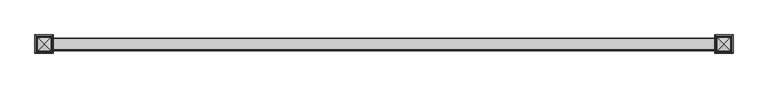
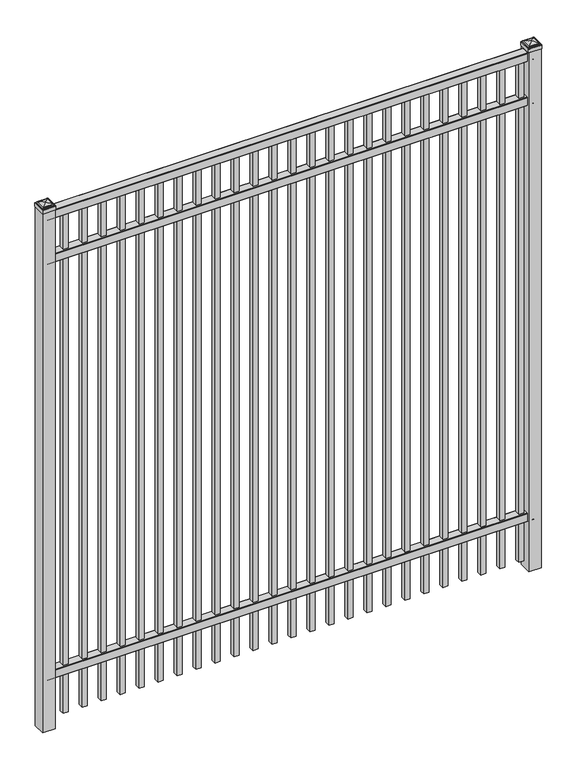
"""IFC4 building model written with IfcOpenShell, lengths in millimetres: railing geometry."""

from ifc_helpers import new_model, si_unit, point, frame, frame_2d, origin, origin_with_axes, place, context, project, spatial, polyline, circle_curve, ellipse_curve, trimmed, segment, composite_curve, outline, extrude, source, transform, mapped, element, save
from ifc_brep_helpers import plane_surface, cylinder_surface, advanced_brep


def railing_54eb18dd(model_context):
    return source(origin(), model_context, "Body", "SolidModel", [
        extrude(outline(composite_curve([segment(polyline([(5777.9139761, 304.8), (5815.969541, 304.8)]), True, "CONTINUOUS"), segment(trimmed(circle_curve(frame_2d((5815.969541, 301.625)), 3.175), [point((5815.969541, 304.8))], [point((5819.144541, 301.625))], False, "CARTESIAN"), True, "CONTINUOUS"), segment(polyline([(5819.144541, 301.625), (5819.144541, 262.1439893)]), True, "CONTINUOUS"), segment(trimmed(circle_curve(frame_2d((5817.3505518, 262.1439893)), 1.7939893), [point((5819.144541, 262.1439893))], [point((5817.3505518, 260.35))], False, "CARTESIAN"), True, "CONTINUOUS"), segment(polyline([(5817.3505518, 260.35), (5814.7590713, 260.35)]), True, "CONTINUOUS"), segment(trimmed(circle_curve(frame_2d((5814.7590713, 262.1359375)), 1.7859375), [point((5814.7590713, 260.35))], [point((5812.9755813, 262.0424688))], False, "CARTESIAN"), True, "CONTINUOUS"), segment(polyline([(5812.9755813, 262.0424688), (5811.4025867, 292.0569942), (5782.4364954, 292.0569942), (5780.8635007, 262.0424688)]), True, "CONTINUOUS"), segment(trimmed(circle_curve(frame_2d((5779.0800108, 262.1359375)), 1.7859375), [point((5780.8635007, 262.0424688))], [point((5779.0800108, 260.35))], False, "CARTESIAN"), True, "CONTINUOUS"), segment(polyline([(5779.0800108, 260.35), (5776.4804785, 260.35)]), True, "CONTINUOUS"), segment(trimmed(circle_curve(frame_2d((5776.4804785, 262.1359375)), 1.7859375), [point((5776.4804785, 260.35))], [point((5774.694541, 262.1359375))], False, "CARTESIAN"), True, "CONTINUOUS"), segment(polyline([(5774.694541, 262.1359375), (5774.694541, 301.5805649)]), True, "CONTINUOUS"), segment(trimmed(circle_curve(frame_2d((5777.9139761, 301.5805649)), 3.2194351), [point((5774.694541, 301.5805649))], [point((5777.9139761, 304.8))], False, "CARTESIAN"), True, "CONTINUOUS")], self_intersect=False)), frame((-10765.0649936, 0.0, 0.0), z_axis=(1.0, 0.0, 0.0), x_axis=(0.0, 1.0, 0.0)), (0.0, 0.0, 1.0), 2438.4),
        extrude(outline(composite_curve([segment(polyline([(5777.9139761, 2509.8375), (5815.969541, 2509.8375)]), True, "CONTINUOUS"), segment(trimmed(circle_curve(frame_2d((5815.969541, 2506.6625)), 3.175), [point((5815.969541, 2509.8375))], [point((5819.144541, 2506.6625))], False, "CARTESIAN"), True, "CONTINUOUS"), segment(polyline([(5819.144541, 2506.6625), (5819.144541, 2467.1814893)]), True, "CONTINUOUS"), segment(trimmed(circle_curve(frame_2d((5817.3505518, 2467.1814893)), 1.7939893), [point((5819.144541, 2467.1814893))], [point((5817.3505518, 2465.3875))], False, "CARTESIAN"), True, "CONTINUOUS"), segment(polyline([(5817.3505518, 2465.3875), (5814.7590713, 2465.3875)]), True, "CONTINUOUS"), segment(trimmed(circle_curve(frame_2d((5814.7590713, 2467.1734375)), 1.7859375), [point((5814.7590713, 2465.3875))], [point((5812.9755813, 2467.0799688))], False, "CARTESIAN"), True, "CONTINUOUS"), segment(polyline([(5812.9755813, 2467.0799688), (5811.4025867, 2497.0944942), (5782.4364954, 2497.0944942), (5780.8635007, 2467.0799688)]), True, "CONTINUOUS"), segment(trimmed(circle_curve(frame_2d((5779.0800108, 2467.1734375)), 1.7859375), [point((5780.8635007, 2467.0799688))], [point((5779.0800108, 2465.3875))], False, "CARTESIAN"), True, "CONTINUOUS"), segment(polyline([(5779.0800108, 2465.3875), (5776.4804785, 2465.3875)]), True, "CONTINUOUS"), segment(trimmed(circle_curve(frame_2d((5776.4804785, 2467.1734375)), 1.7859375), [point((5776.4804785, 2465.3875))], [point((5774.694541, 2467.1734375))], False, "CARTESIAN"), True, "CONTINUOUS"), segment(polyline([(5774.694541, 2467.1734375), (5774.694541, 2506.6180649)]), True, "CONTINUOUS"), segment(trimmed(circle_curve(frame_2d((5777.9139761, 2506.6180649)), 3.2194351), [point((5774.694541, 2506.6180649))], [point((5777.9139761, 2509.8375))], False, "CARTESIAN"), True, "CONTINUOUS")], self_intersect=False)), frame((-10765.0649936, 0.0, 0.0), z_axis=(1.0, 0.0, 0.0), x_axis=(0.0, 1.0, 0.0)), (0.0, 0.0, 1.0), 2438.4),
        extrude(outline(composite_curve([segment(polyline([(5777.9139761, 2743.2), (5815.969541, 2743.2)]), True, "CONTINUOUS"), segment(trimmed(circle_curve(frame_2d((5815.969541, 2740.025)), 3.175), [point((5815.969541, 2743.2))], [point((5819.144541, 2740.025))], False, "CARTESIAN"), True, "CONTINUOUS"), segment(polyline([(5819.144541, 2740.025), (5819.144541, 2700.5439893)]), True, "CONTINUOUS"), segment(trimmed(circle_curve(frame_2d((5817.3505518, 2700.5439893)), 1.7939893), [point((5819.144541, 2700.5439893))], [point((5817.3505518, 2698.75))], False, "CARTESIAN"), True, "CONTINUOUS"), segment(polyline([(5817.3505518, 2698.75), (5814.7590713, 2698.75)]), True, "CONTINUOUS"), segment(trimmed(circle_curve(frame_2d((5814.7590713, 2700.5359375)), 1.7859375), [point((5814.7590713, 2698.75))], [point((5812.9755813, 2700.4424688))], False, "CARTESIAN"), True, "CONTINUOUS"), segment(polyline([(5812.9755813, 2700.4424688), (5811.4025867, 2730.4569942), (5782.4364954, 2730.4569942), (5780.8635007, 2700.4424688)]), True, "CONTINUOUS"), segment(trimmed(circle_curve(frame_2d((5779.0800108, 2700.5359375)), 1.7859375), [point((5780.8635007, 2700.4424688))], [point((5779.0800108, 2698.75))], False, "CARTESIAN"), True, "CONTINUOUS"), segment(polyline([(5779.0800108, 2698.75), (5776.4804785, 2698.75)]), True, "CONTINUOUS"), segment(trimmed(circle_curve(frame_2d((5776.4804785, 2700.5359375)), 1.7859375), [point((5776.4804785, 2698.75))], [point((5774.694541, 2700.5359375))], False, "CARTESIAN"), True, "CONTINUOUS"), segment(polyline([(5774.694541, 2700.5359375), (5774.694541, 2739.9805649)]), True, "CONTINUOUS"), segment(trimmed(circle_curve(frame_2d((5777.9139761, 2739.9805649)), 3.2194351), [point((5774.694541, 2739.9805649))], [point((5777.9139761, 2743.2))], False, "CARTESIAN"), True, "CONTINUOUS")], self_intersect=False)), frame((-10765.0649936, 0.0, 0.0), z_axis=(1.0, 0.0, 0.0), x_axis=(0.0, 1.0, 0.0)), (0.0, 0.0, 1.0), 2438.4),
        extrude(outline(polyline([(0.0, -2647.95), (0.0, 0.0), (25.4, 0.0), (25.4, -2647.95), (0.0, -2647.95)])), frame((-8371.1149864, 5809.619541, 2698.75), z_axis=(-1.0, 0.0, 1.5671138008369403e-09), x_axis=(0.0, -1.0, 0.0)), (0.0, 0.0, 1.0), 25.4),
        extrude(outline(polyline([(0.0, -2647.95), (0.0, 0.0), (25.4, 0.0), (25.4, -2647.95), (0.0, -2647.95)])), frame((-8466.3649864, 5809.619541, 2698.75), z_axis=(-1.0, 0.0, 1.5671138008369403e-09), x_axis=(0.0, -1.0, 0.0)), (0.0, 0.0, 1.0), 25.4),
        extrude(outline(polyline([(0.0, -2647.95), (0.0, 0.0), (25.4, 0.0), (25.4, -2647.95), (0.0, -2647.95)])), frame((-8561.6149864, 5809.619541, 2698.75), z_axis=(-1.0, 0.0, 1.5671138008369403e-09), x_axis=(0.0, -1.0, 0.0)), (0.0, 0.0, 1.0), 25.4),
        extrude(outline(polyline([(0.0, -2647.95), (0.0, 0.0), (25.4, 0.0), (25.4, -2647.95), (0.0, -2647.95)])), frame((-8656.8649864, 5809.619541, 2698.75), z_axis=(-1.0, 0.0, 1.5671138008369403e-09), x_axis=(0.0, -1.0, 0.0)), (0.0, 0.0, 1.0), 25.4),
        extrude(outline(polyline([(0.0, -2647.95), (0.0, 0.0), (25.4, 0.0), (25.4, -2647.95), (0.0, -2647.95)])), frame((-8752.1149864, 5809.619541, 2698.75), z_axis=(-1.0, 0.0, 1.5671138008369403e-09), x_axis=(0.0, -1.0, 0.0)), (0.0, 0.0, 1.0), 25.4),
        extrude(outline(polyline([(0.0, -2647.95), (0.0, 0.0), (25.4, 0.0), (25.4, -2647.95), (0.0, -2647.95)])), frame((-8847.3649864, 5809.619541, 2698.75), z_axis=(-1.0, 0.0, 1.5671138008369403e-09), x_axis=(0.0, -1.0, 0.0)), (0.0, 0.0, 1.0), 25.4),
        extrude(outline(polyline([(0.0, -2647.95), (0.0, 0.0), (25.4, 0.0), (25.4, -2647.95), (0.0, -2647.95)])), frame((-8942.6149864, 5809.619541, 2698.75), z_axis=(-1.0, 0.0, 1.5671138008369403e-09), x_axis=(0.0, -1.0, 0.0)), (0.0, 0.0, 1.0), 25.4),
        extrude(outline(polyline([(0.0, -2647.95), (0.0, 0.0), (25.4, 0.0), (25.4, -2647.95), (0.0, -2647.95)])), frame((-9037.8649864, 5809.619541, 2698.75), z_axis=(-1.0, 0.0, 1.5671138008369403e-09), x_axis=(0.0, -1.0, 0.0)), (0.0, 0.0, 1.0), 25.4),
        extrude(outline(polyline([(0.0, -2647.95), (0.0, 0.0), (25.4, 0.0), (25.4, -2647.95), (0.0, -2647.95)])), frame((-9133.1149864, 5809.619541, 2698.75), z_axis=(-1.0, 0.0, 1.5671138008369403e-09), x_axis=(0.0, -1.0, 0.0)), (0.0, 0.0, 1.0), 25.4),
        extrude(outline(polyline([(0.0, -2647.95), (0.0, 0.0), (25.4, 0.0), (25.4, -2647.95), (0.0, -2647.95)])), frame((-9228.3649864, 5809.619541, 2698.75), z_axis=(-1.0, 0.0, 1.5671138008369403e-09), x_axis=(0.0, -1.0, 0.0)), (0.0, 0.0, 1.0), 25.4),
        extrude(outline(polyline([(0.0, -2647.95), (0.0, 0.0), (25.4, 0.0), (25.4, -2647.95), (0.0, -2647.95)])), frame((-9323.6149864, 5809.619541, 2698.75), z_axis=(-1.0, 0.0, 1.5671138008369403e-09), x_axis=(0.0, -1.0, 0.0)), (0.0, 0.0, 1.0), 25.4),
        extrude(outline(polyline([(0.0, -2647.95), (0.0, 0.0), (25.4, 0.0), (25.4, -2647.95), (0.0, -2647.95)])), frame((-9418.8649864, 5809.619541, 2698.75), z_axis=(-1.0, 0.0, 1.5671138008369403e-09), x_axis=(0.0, -1.0, 0.0)), (0.0, 0.0, 1.0), 25.4),
        extrude(outline(polyline([(0.0, -2647.95), (0.0, 0.0), (25.4, 0.0), (25.4, -2647.95), (0.0, -2647.95)])), frame((-9514.1149864, 5809.619541, 2698.75), z_axis=(-1.0, 0.0, 1.5671138008369403e-09), x_axis=(0.0, -1.0, 0.0)), (0.0, 0.0, 1.0), 25.4),
        extrude(outline(polyline([(0.0, -2647.95), (0.0, 0.0), (25.4, 0.0), (25.4, -2647.95), (0.0, -2647.95)])), frame((-9609.3649864, 5809.619541, 2698.75), z_axis=(-1.0, 0.0, 1.5671138008369403e-09), x_axis=(0.0, -1.0, 0.0)), (0.0, 0.0, 1.0), 25.4),
        extrude(outline(polyline([(0.0, -2647.95), (0.0, 0.0), (25.4, 0.0), (25.4, -2647.95), (0.0, -2647.95)])), frame((-9704.6149864, 5809.619541, 2698.75), z_axis=(-1.0, 0.0, 1.5671138008369403e-09), x_axis=(0.0, -1.0, 0.0)), (0.0, 0.0, 1.0), 25.4),
        extrude(outline(polyline([(0.0, -2647.95), (0.0, 0.0), (25.4, 0.0), (25.4, -2647.95), (0.0, -2647.95)])), frame((-9799.8649864, 5809.619541, 2698.75), z_axis=(-1.0, 0.0, 1.5671138008369403e-09), x_axis=(0.0, -1.0, 0.0)), (0.0, 0.0, 1.0), 25.4),
        extrude(outline(polyline([(0.0, -2647.95), (0.0, 0.0), (25.4, 0.0), (25.4, -2647.95), (0.0, -2647.95)])), frame((-9895.1149864, 5809.619541, 2698.75), z_axis=(-1.0, 0.0, 1.5671138008369403e-09), x_axis=(0.0, -1.0, 0.0)), (0.0, 0.0, 1.0), 25.4),
        extrude(outline(polyline([(0.0, -2647.95), (0.0, 0.0), (25.4, 0.0), (25.4, -2647.95), (0.0, -2647.95)])), frame((-9990.3649864, 5809.619541, 2698.75), z_axis=(-1.0, 0.0, 1.5671138008369403e-09), x_axis=(0.0, -1.0, 0.0)), (0.0, 0.0, 1.0), 25.4),
        extrude(outline(polyline([(0.0, -2647.95), (0.0, 0.0), (25.4, 0.0), (25.4, -2647.95), (0.0, -2647.95)])), frame((-10085.6149864, 5809.619541, 2698.75), z_axis=(-1.0, 0.0, 1.5671138008369403e-09), x_axis=(0.0, -1.0, 0.0)), (0.0, 0.0, 1.0), 25.4),
        extrude(outline(polyline([(0.0, -2647.95), (0.0, 0.0), (25.4, 0.0), (25.4, -2647.95), (0.0, -2647.95)])), frame((-10180.8649864, 5809.619541, 2698.75), z_axis=(-1.0, 0.0, 1.5671138008369403e-09), x_axis=(0.0, -1.0, 0.0)), (0.0, 0.0, 1.0), 25.4),
        extrude(outline(polyline([(0.0, -2647.95), (0.0, 0.0), (25.4, 0.0), (25.4, -2647.95), (0.0, -2647.95)])), frame((-10276.1149864, 5809.619541, 2698.75), z_axis=(-1.0, 0.0, 1.5671138008369403e-09), x_axis=(0.0, -1.0, 0.0)), (0.0, 0.0, 1.0), 25.4),
        extrude(outline(polyline([(0.0, -2647.95), (0.0, 0.0), (25.4, 0.0), (25.4, -2647.95), (0.0, -2647.95)])), frame((-10371.3649864, 5809.619541, 2698.75), z_axis=(-1.0, 0.0, 1.5671138008369403e-09), x_axis=(0.0, -1.0, 0.0)), (0.0, 0.0, 1.0), 25.4),
        extrude(outline(polyline([(0.0, -2647.95), (0.0, 0.0), (25.4, 0.0), (25.4, -2647.95), (0.0, -2647.95)])), frame((-10466.6149864, 5809.619541, 2698.75), z_axis=(-1.0, 0.0, 1.5671138008369403e-09), x_axis=(0.0, -1.0, 0.0)), (0.0, 0.0, 1.0), 25.4),
        extrude(outline(polyline([(0.0, -2647.95), (0.0, 0.0), (25.4, 0.0), (25.4, -2647.95), (0.0, -2647.95)])), frame((-10561.8649864, 5809.619541, 2698.75), z_axis=(-1.0, 0.0, 1.5671138008369403e-09), x_axis=(0.0, -1.0, 0.0)), (0.0, 0.0, 1.0), 25.4),
        extrude(outline(polyline([(0.0, -2647.95), (0.0, 0.0), (25.4, 0.0), (25.4, -2647.95), (0.0, -2647.95)])), frame((-10657.1149864, 5809.619541, 2698.75), z_axis=(-1.0, 0.0, 1.5671138008369403e-09), x_axis=(0.0, -1.0, 0.0)), (0.0, 0.0, 1.0), 25.4),
        extrude(outline(polyline([(-8294.9149936, 5828.669541), (-8294.9149936, 5765.169541), (-8358.4149936, 5765.169541), (-8358.4149936, 5828.669541), (-8294.9149936, 5828.669541)])), origin_with_axes(), (0.0, 0.0, 1.0), 2751.1375),
        advanced_brep(
        [(-8360.0024936, 5830.257041, 2769.39375), (-8360.0024936, 5830.257041, 2751.1375), (-8360.0024936, 5763.582041, 2751.1375), (-8360.0024936, 5763.582041, 2769.39375), (-8357.6212436, 5827.875791, 2771.775), (-8357.6212436, 5765.963291, 2771.775), (-8355.2399936, 5825.494541, 2774.15625), (-8355.2399936, 5825.494541, 2771.775), (-8355.2399936, 5768.344541, 2771.775), (-8355.2399936, 5768.344541, 2774.15625), (-8352.8587436, 5823.113291, 2776.5375), (-8352.8587436, 5770.725791, 2776.5375), (-8326.6649936, 5796.919541, 2782.8875), (-8350.4774936, 5820.732041, 2776.5375), (-8350.4774936, 5773.107041, 2776.5375), (-8293.3274936, 5763.582041, 2751.1375), (-8293.3274936, 5763.582041, 2769.39375), (-8295.7087436, 5765.963291, 2771.775), (-8298.0899936, 5768.344541, 2771.775), (-8298.0899936, 5768.344541, 2774.15625), (-8300.4712436, 5770.725791, 2776.5375), (-8302.8524936, 5773.107041, 2776.5375), (-8293.3274936, 5830.257041, 2751.1375), (-8293.3274936, 5830.257041, 2769.39375), (-8295.7087436, 5827.875791, 2771.775), (-8298.0899936, 5825.494541, 2771.775), (-8298.0899936, 5825.494541, 2774.15625), (-8300.4712436, 5823.113291, 2776.5375), (-8302.8524936, 5820.732041, 2776.5375)],
        [
            (0, 1),
            (1, 2),
            (2, 3),
            (3, 0),
            (4, 0, ellipse_curve(frame((-8357.6212436, 5827.875791, 2769.39375), z_axis=(-0.70710678118655, -0.7071067811865449, 0.0), x_axis=(-0.7071067811865448, 0.7071067811865501, 0.0)), 3.367596, 2.38125)),
            (3, 5, ellipse_curve(frame((-8357.6212436, 5765.963291, 2769.39375), z_axis=(-0.7071067811865449, 0.70710678118655, 0.0), x_axis=(0.7071067811865499, 0.707106781186545, 0.0)), 3.367596, 2.38125)),
            (5, 4),
            (6, 7),
            (7, 8),
            (8, 9),
            (9, 6),
            (10, 6, ellipse_curve(frame((-8352.8587436, 5823.113291, 2774.15625), z_axis=(-0.70710678118655, -0.7071067811865449, 0.0), x_axis=(-0.7071067811865448, 0.7071067811865501, 0.0)), 3.367596, 2.38125)),
            (9, 11, ellipse_curve(frame((-8352.8587436, 5770.725791, 2774.15625), z_axis=(-0.7071067811865449, 0.70710678118655, 0.0), x_axis=(0.7071067811865499, 0.707106781186545, 0.0)), 3.367596, 2.38125)),
            (11, 10),
            (12, 13, ellipse_curve(frame((-8326.6649936, 5796.919541, 2735.0640625), z_axis=(-0.70710678118655, -0.7071067811865449, 0.0), x_axis=(-0.7071067811865448, 0.7071067811865501, 0.0)), 67.6325539, 47.8234375)),
            (13, 14),
            (14, 12, ellipse_curve(frame((-8326.6649936, 5796.919541, 2735.0640625), z_axis=(-0.7071067811865449, 0.70710678118655, 0.0), x_axis=(0.7071067811865499, 0.707106781186545, 0.0)), 67.6325539, 47.8234375)),
            (2, 15),
            (15, 16),
            (16, 3),
            (16, 17, ellipse_curve(frame((-8295.7087436, 5765.963291, 2769.39375), z_axis=(-0.70710678118655, -0.707106781186545, 0.0), x_axis=(-0.707106781186545, 0.70710678118655, 0.0)), 3.367596, 2.38125)),
            (17, 5),
            (8, 18),
            (18, 19),
            (19, 9),
            (19, 20, ellipse_curve(frame((-8300.4712436, 5770.725791, 2774.15625), z_axis=(-0.70710678118655, -0.707106781186545, 0.0), x_axis=(-0.707106781186545, 0.70710678118655, 0.0)), 3.367596, 2.38125)),
            (20, 11),
            (14, 21),
            (21, 12, ellipse_curve(frame((-8326.6649936, 5796.919541, 2735.0640625), z_axis=(-0.70710678118655, -0.707106781186545, 0.0), x_axis=(-0.707106781186545, 0.70710678118655, 0.0)), 67.6325539, 47.8234375)),
            (15, 22),
            (22, 23),
            (23, 16),
            (23, 24, ellipse_curve(frame((-8295.7087436, 5827.875791, 2769.39375), z_axis=(0.707106781186545, -0.7071067811865499, 0.0), x_axis=(-0.7071067811865497, -0.7071067811865452, 0.0)), 3.367596, 2.38125)),
            (24, 17),
            (18, 25),
            (25, 26),
            (26, 19),
            (26, 27, ellipse_curve(frame((-8300.4712436, 5823.113291, 2774.15625), z_axis=(0.707106781186545, -0.7071067811865499, 0.0), x_axis=(-0.7071067811865497, -0.7071067811865452, 0.0)), 3.367596, 2.38125)),
            (27, 20),
            (21, 28),
            (28, 12, ellipse_curve(frame((-8326.6649936, 5796.919541, 2735.0640625), z_axis=(0.707106781186545, -0.7071067811865499, 0.0), x_axis=(-0.7071067811865497, -0.7071067811865452, 0.0)), 67.6325539, 47.8234375)),
            (22, 1),
            (0, 23),
            (4, 24),
            (7, 25),
            (6, 26),
            (10, 27),
            (13, 28),
        ],
        [
            plane_surface(frame((-8360.0024936, 5830.257041, 2751.1375), z_axis=(-1.0, 0.0, 0.0), x_axis=(0.0, -1.0, 0.0))),
            cylinder_surface(frame((-8357.6212436, 5828.669541, 2769.39375), z_axis=(0.0, 1.0, 0.0), x_axis=(1.0, 0.0, 0.0)), 2.38125),
            plane_surface(frame((-8355.2399936, 5825.494541, 2771.775), z_axis=(-1.0, 0.0, 0.0), x_axis=(0.0, -1.0, 0.0))),
            cylinder_surface(frame((-8352.8587436, 5828.669541, 2774.15625), z_axis=(0.0, 1.0, 0.0), x_axis=(1.0, 0.0, 0.0)), 2.38125),
            cylinder_surface(frame((-8326.6649936, 5828.669541, 2735.0640625), z_axis=(0.0, 1.0, 0.0), x_axis=(1.0, 0.0, 0.0)), 47.8234375),
            plane_surface(frame((-8360.0024936, 5763.582041, 2751.1375), z_axis=(0.0, -1.0, 0.0), x_axis=(1.0, 0.0, 0.0))),
            cylinder_surface(frame((-8358.4149936, 5765.963291, 2769.39375), z_axis=(-1.0, 0.0, 0.0), x_axis=(0.0, 1.0, 0.0)), 2.38125),
            plane_surface(frame((-8355.2399936, 5768.344541, 2771.775), z_axis=(0.0, -1.0, 0.0), x_axis=(1.0, 0.0, 0.0))),
            cylinder_surface(frame((-8358.4149936, 5770.725791, 2774.15625), z_axis=(-1.0, 0.0, 0.0), x_axis=(0.0, 1.0, 0.0)), 2.38125),
            cylinder_surface(frame((-8358.4149936, 5796.919541, 2735.0640625), z_axis=(-1.0, 0.0, 0.0), x_axis=(0.0, 1.0, 0.0)), 47.8234375),
            plane_surface(frame((-8293.3274936, 5763.582041, 2751.1375), z_axis=(1.0, 0.0, 0.0), x_axis=(0.0, 1.0, 0.0))),
            cylinder_surface(frame((-8295.7087436, 5765.169541, 2769.39375), z_axis=(0.0, -1.0, 0.0), x_axis=(-1.0, 0.0, 0.0)), 2.38125),
            plane_surface(frame((-8298.0899936, 5768.344541, 2771.775), z_axis=(1.0, 0.0, 0.0), x_axis=(0.0, 1.0, 0.0))),
            cylinder_surface(frame((-8300.4712436, 5765.169541, 2774.15625), z_axis=(0.0, -1.0, 0.0), x_axis=(-1.0, 0.0, 0.0)), 2.38125),
            cylinder_surface(frame((-8326.6649936, 5765.169541, 2735.0640625), z_axis=(0.0, -1.0, 0.0), x_axis=(-1.0, 0.0, 0.0)), 47.8234375),
            plane_surface(frame((-8293.3274936, 5830.257041, 2751.1375), z_axis=(0.0, 1.0, 0.0), x_axis=(-1.0, 0.0, 0.0))),
            cylinder_surface(frame((-8294.9149936, 5827.875791, 2769.39375), z_axis=(1.0, 0.0, 0.0), x_axis=(0.0, -1.0, 0.0)), 2.38125),
            plane_surface(frame((-8295.7087436, 5827.875791, 2771.775), z_axis=(0.0, 0.0, 1.0), x_axis=(-1.0, 0.0, 0.0))),
            plane_surface(frame((-8298.0899936, 5825.494541, 2771.775), z_axis=(0.0, 1.0, 0.0), x_axis=(-1.0, 0.0, 0.0))),
            cylinder_surface(frame((-8294.9149936, 5823.113291, 2774.15625), z_axis=(1.0, 0.0, 0.0), x_axis=(0.0, -1.0, 0.0)), 2.38125),
            plane_surface(frame((-8300.4712436, 5823.113291, 2776.5375), z_axis=(0.0, 0.0, 1.0), x_axis=(-1.0, 0.0, 0.0))),
            cylinder_surface(frame((-8294.9149936, 5796.919541, 2735.0640625), z_axis=(1.0, 0.0, 0.0), x_axis=(0.0, -1.0, 0.0)), 47.8234375),
            plane_surface(frame((-8326.6649936, 5796.919541, 2751.1375), z_axis=(0.0, 0.0, -1.0), x_axis=(-1.0, 0.0, 0.0))),
        ],
        [
            (0, [[1, 2, 3, 4]]),
            (1, [[5, -4, 6, 7]]),
            (2, [[8, 9, 10, 11]]),
            (3, [[12, -11, 13, 14]]),
            (4, [[15, 16, 17]]),
            (5, [[-3, 18, 19, 20]]),
            (6, [[-6, -20, 21, 22]]),
            (7, [[-10, 23, 24, 25]]),
            (8, [[-13, -25, 26, 27]]),
            (9, [[-17, 28, 29]]),
            (10, [[-19, 30, 31, 32]]),
            (11, [[-21, -32, 33, 34]]),
            (12, [[-24, 35, 36, 37]]),
            (13, [[-26, -37, 38, 39]]),
            (14, [[-29, 40, 41]]),
            (15, [[-31, 42, -1, 43]]),
            (16, [[-33, -43, -5, 44]]),
            (17, [[-22, -34, -44, -7], [45, -35, -23, -9]]),
            (18, [[-36, -45, -8, 46]]),
            (19, [[-38, -46, -12, 47]]),
            (20, [[-27, -39, -47, -14], [48, -40, -28, -16]]),
            (21, [[-41, -48, -15]]),
            (22, [[-42, -30, -18, -2]]),
        ],
    ),
        extrude(outline(polyline([(-10733.3149936, 5828.669541), (-10733.3149936, 5765.169541), (-10796.8149936, 5765.169541), (-10796.8149936, 5828.669541), (-10733.3149936, 5828.669541)])), origin_with_axes(), (0.0, 0.0, 1.0), 2751.1375),
        advanced_brep(
        [(-10798.4024936, 5830.257041, 2769.39375), (-10798.4024936, 5830.257041, 2751.1375), (-10798.4024936, 5763.582041, 2751.1375), (-10798.4024936, 5763.582041, 2769.39375), (-10796.0212436, 5827.875791, 2771.775), (-10796.0212436, 5765.963291, 2771.775), (-10793.6399936, 5825.494541, 2774.15625), (-10793.6399936, 5825.494541, 2771.775), (-10793.6399936, 5768.344541, 2771.775), (-10793.6399936, 5768.344541, 2774.15625), (-10791.2587436, 5823.113291, 2776.5375), (-10791.2587436, 5770.725791, 2776.5375), (-10765.0649936, 5796.919541, 2782.8875), (-10788.8774936, 5820.732041, 2776.5375), (-10788.8774936, 5773.107041, 2776.5375), (-10731.7274936, 5763.582041, 2751.1375), (-10731.7274936, 5763.582041, 2769.39375), (-10734.1087436, 5765.963291, 2771.775), (-10736.4899936, 5768.344541, 2771.775), (-10736.4899936, 5768.344541, 2774.15625), (-10738.8712436, 5770.725791, 2776.5375), (-10741.2524936, 5773.107041, 2776.5375), (-10731.7274936, 5830.257041, 2751.1375), (-10731.7274936, 5830.257041, 2769.39375), (-10734.1087436, 5827.875791, 2771.775), (-10736.4899936, 5825.494541, 2771.775), (-10736.4899936, 5825.494541, 2774.15625), (-10738.8712436, 5823.113291, 2776.5375), (-10741.2524936, 5820.732041, 2776.5375)],
        [
            (0, 1),
            (1, 2),
            (2, 3),
            (3, 0),
            (4, 0, ellipse_curve(frame((-10796.0212436, 5827.875791, 2769.39375), z_axis=(-0.70710678118655, -0.7071067811865449, 0.0), x_axis=(-0.7071067811865448, 0.7071067811865501, 0.0)), 3.367596, 2.38125)),
            (3, 5, ellipse_curve(frame((-10796.0212436, 5765.963291, 2769.39375), z_axis=(-0.7071067811865449, 0.70710678118655, 0.0), x_axis=(0.7071067811865499, 0.707106781186545, 0.0)), 3.367596, 2.38125)),
            (5, 4),
            (6, 7),
            (7, 8),
            (8, 9),
            (9, 6),
            (10, 6, ellipse_curve(frame((-10791.2587436, 5823.113291, 2774.15625), z_axis=(-0.70710678118655, -0.7071067811865449, 0.0), x_axis=(-0.7071067811865448, 0.7071067811865501, 0.0)), 3.367596, 2.38125)),
            (9, 11, ellipse_curve(frame((-10791.2587436, 5770.725791, 2774.15625), z_axis=(-0.7071067811865449, 0.70710678118655, 0.0), x_axis=(0.7071067811865499, 0.707106781186545, 0.0)), 3.367596, 2.38125)),
            (11, 10),
            (12, 13, ellipse_curve(frame((-10765.0649936, 5796.919541, 2735.0640625), z_axis=(-0.70710678118655, -0.7071067811865449, 0.0), x_axis=(-0.7071067811865448, 0.7071067811865501, 0.0)), 67.6325539, 47.8234375)),
            (13, 14),
            (14, 12, ellipse_curve(frame((-10765.0649936, 5796.919541, 2735.0640625), z_axis=(-0.7071067811865449, 0.70710678118655, 0.0), x_axis=(0.7071067811865499, 0.707106781186545, 0.0)), 67.6325539, 47.8234375)),
            (2, 15),
            (15, 16),
            (16, 3),
            (16, 17, ellipse_curve(frame((-10734.1087436, 5765.963291, 2769.39375), z_axis=(-0.70710678118655, -0.707106781186545, 0.0), x_axis=(-0.707106781186545, 0.70710678118655, 0.0)), 3.367596, 2.38125)),
            (17, 5),
            (8, 18),
            (18, 19),
            (19, 9),
            (19, 20, ellipse_curve(frame((-10738.8712436, 5770.725791, 2774.15625), z_axis=(-0.70710678118655, -0.707106781186545, 0.0), x_axis=(-0.707106781186545, 0.70710678118655, 0.0)), 3.367596, 2.38125)),
            (20, 11),
            (14, 21),
            (21, 12, ellipse_curve(frame((-10765.0649936, 5796.919541, 2735.0640625), z_axis=(-0.70710678118655, -0.707106781186545, 0.0), x_axis=(-0.707106781186545, 0.70710678118655, 0.0)), 67.6325539, 47.8234375)),
            (15, 22),
            (22, 23),
            (23, 16),
            (23, 24, ellipse_curve(frame((-10734.1087436, 5827.875791, 2769.39375), z_axis=(0.707106781186545, -0.7071067811865499, 0.0), x_axis=(-0.7071067811865497, -0.7071067811865452, 0.0)), 3.367596, 2.38125)),
            (24, 17),
            (18, 25),
            (25, 26),
            (26, 19),
            (26, 27, ellipse_curve(frame((-10738.8712436, 5823.113291, 2774.15625), z_axis=(0.707106781186545, -0.7071067811865499, 0.0), x_axis=(-0.7071067811865497, -0.7071067811865452, 0.0)), 3.367596, 2.38125)),
            (27, 20),
            (21, 28),
            (28, 12, ellipse_curve(frame((-10765.0649936, 5796.919541, 2735.0640625), z_axis=(0.707106781186545, -0.7071067811865499, 0.0), x_axis=(-0.7071067811865497, -0.7071067811865452, 0.0)), 67.6325539, 47.8234375)),
            (22, 1),
            (0, 23),
            (4, 24),
            (7, 25),
            (6, 26),
            (10, 27),
            (13, 28),
        ],
        [
            plane_surface(frame((-10798.4024936, 5830.257041, 2751.1375), z_axis=(-1.0, 0.0, 0.0), x_axis=(0.0, -1.0, 0.0))),
            cylinder_surface(frame((-10796.0212436, 5828.669541, 2769.39375), z_axis=(0.0, 1.0, 0.0), x_axis=(1.0, 0.0, 0.0)), 2.38125),
            plane_surface(frame((-10793.6399936, 5825.494541, 2771.775), z_axis=(-1.0, 0.0, 0.0), x_axis=(0.0, -1.0, 0.0))),
            cylinder_surface(frame((-10791.2587436, 5828.669541, 2774.15625), z_axis=(0.0, 1.0, 0.0), x_axis=(1.0, 0.0, 0.0)), 2.38125),
            cylinder_surface(frame((-10765.0649936, 5828.669541, 2735.0640625), z_axis=(0.0, 1.0, 0.0), x_axis=(1.0, 0.0, 0.0)), 47.8234375),
            plane_surface(frame((-10798.4024936, 5763.582041, 2751.1375), z_axis=(0.0, -1.0, 0.0), x_axis=(1.0, 0.0, 0.0))),
            cylinder_surface(frame((-10796.8149936, 5765.963291, 2769.39375), z_axis=(-1.0, 0.0, 0.0), x_axis=(0.0, 1.0, 0.0)), 2.38125),
            plane_surface(frame((-10793.6399936, 5768.344541, 2771.775), z_axis=(0.0, -1.0, 0.0), x_axis=(1.0, 0.0, 0.0))),
            cylinder_surface(frame((-10796.8149936, 5770.725791, 2774.15625), z_axis=(-1.0, 0.0, 0.0), x_axis=(0.0, 1.0, 0.0)), 2.38125),
            cylinder_surface(frame((-10796.8149936, 5796.919541, 2735.0640625), z_axis=(-1.0, 0.0, 0.0), x_axis=(0.0, 1.0, 0.0)), 47.8234375),
            plane_surface(frame((-10731.7274936, 5763.582041, 2751.1375), z_axis=(1.0, 0.0, 0.0), x_axis=(0.0, 1.0, 0.0))),
            cylinder_surface(frame((-10734.1087436, 5765.169541, 2769.39375), z_axis=(0.0, -1.0, 0.0), x_axis=(-1.0, 0.0, 0.0)), 2.38125),
            plane_surface(frame((-10736.4899936, 5768.344541, 2771.775), z_axis=(1.0, 0.0, 0.0), x_axis=(0.0, 1.0, 0.0))),
            cylinder_surface(frame((-10738.8712436, 5765.169541, 2774.15625), z_axis=(0.0, -1.0, 0.0), x_axis=(-1.0, 0.0, 0.0)), 2.38125),
            cylinder_surface(frame((-10765.0649936, 5765.169541, 2735.0640625), z_axis=(0.0, -1.0, 0.0), x_axis=(-1.0, 0.0, 0.0)), 47.8234375),
            plane_surface(frame((-10731.7274936, 5830.257041, 2751.1375), z_axis=(0.0, 1.0, 0.0), x_axis=(-1.0, 0.0, 0.0))),
            cylinder_surface(frame((-10733.3149936, 5827.875791, 2769.39375), z_axis=(1.0, 0.0, 0.0), x_axis=(0.0, -1.0, 0.0)), 2.38125),
            plane_surface(frame((-10734.1087436, 5827.875791, 2771.775), z_axis=(0.0, 0.0, 1.0), x_axis=(-1.0, 0.0, 0.0))),
            plane_surface(frame((-10736.4899936, 5825.494541, 2771.775), z_axis=(0.0, 1.0, 0.0), x_axis=(-1.0, 0.0, 0.0))),
            cylinder_surface(frame((-10733.3149936, 5823.113291, 2774.15625), z_axis=(1.0, 0.0, 0.0), x_axis=(0.0, -1.0, 0.0)), 2.38125),
            plane_surface(frame((-10738.8712436, 5823.113291, 2776.5375), z_axis=(0.0, 0.0, 1.0), x_axis=(-1.0, 0.0, 0.0))),
            cylinder_surface(frame((-10733.3149936, 5796.919541, 2735.0640625), z_axis=(1.0, 0.0, 0.0), x_axis=(0.0, -1.0, 0.0)), 47.8234375),
            plane_surface(frame((-10765.0649936, 5796.919541, 2751.1375), z_axis=(0.0, 0.0, -1.0), x_axis=(-1.0, 0.0, 0.0))),
        ],
        [
            (0, [[1, 2, 3, 4]]),
            (1, [[5, -4, 6, 7]]),
            (2, [[8, 9, 10, 11]]),
            (3, [[12, -11, 13, 14]]),
            (4, [[15, 16, 17]]),
            (5, [[-3, 18, 19, 20]]),
            (6, [[-6, -20, 21, 22]]),
            (7, [[-10, 23, 24, 25]]),
            (8, [[-13, -25, 26, 27]]),
            (9, [[-17, 28, 29]]),
            (10, [[-19, 30, 31, 32]]),
            (11, [[-21, -32, 33, 34]]),
            (12, [[-24, 35, 36, 37]]),
            (13, [[-26, -37, 38, 39]]),
            (14, [[-29, 40, 41]]),
            (15, [[-31, 42, -1, 43]]),
            (16, [[-33, -43, -5, 44]]),
            (17, [[-22, -34, -44, -7], [45, -35, -23, -9]]),
            (18, [[-36, -45, -8, 46]]),
            (19, [[-38, -46, -12, 47]]),
            (20, [[-27, -39, -47, -14], [48, -40, -28, -16]]),
            (21, [[-41, -48, -15]]),
            (22, [[-42, -30, -18, -2]]),
        ],
    ),
    ])


if __name__ == "__main__":
    model = new_model("IFC4")
    model_context = context("Model", 3, world=origin())
    ifc_project = project(units=[si_unit("LENGTHUNIT", "METRE", prefix="MILLI")], contexts=[model_context])
    site = spatial("IfcSite", under=ifc_project)
    building = spatial("IfcBuilding", under=site)
    placement = place(None, origin())
    railing_shape = railing_54eb18dd(model_context)
    element("IfcRailing", 1, at=placement, inside=building, context=model_context, shape_type="MappedRepresentation", body=[
        mapped(railing_shape, transform((0.0, 0.0, 0.0), x_axis=(1.0, 0.0, 0.0), y_axis=(0.0, 1.0, 0.0), z_axis=(0.0, 0.0, 1.0))),
    ])
    save(model, "model.ifc")
